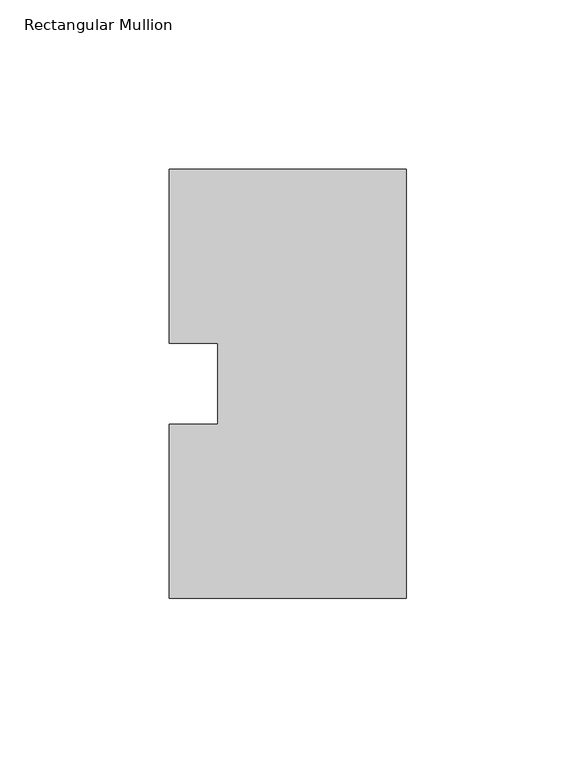
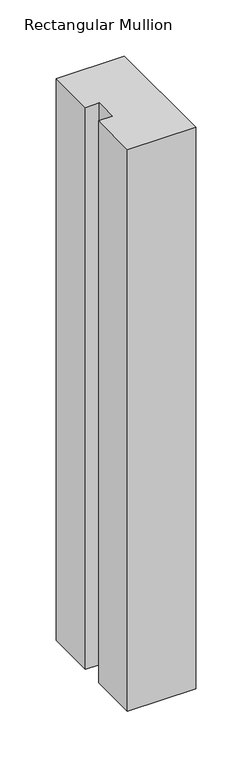
"""IFC4 building model written with IfcOpenShell, lengths in millimetres: member geometry, Rectangular Mullion."""

from ifc_helpers import new_model, si_unit, frame, origin, place, context, project, spatial, polyline, outline, extrude, source, transform, mapped, element, save


def rectangular_mullion_b223c6bb(model_context):
    return source(origin(), model_context, "Body", "SweptSolid", [
        extrude(outline(polyline([(-69.85, 0.26035), (-69.85, 51.60645), (-55.5625, 51.60645), (-55.5625, 75.40625), (-69.85, 75.40625), (-69.85, 126.75235), (0.0, 126.75235), (0.0, 0.26035), (-69.85, 0.26035)])), frame((0.0, 0.0, -609.6), z_axis=(0.0, 0.0, 1.0), x_axis=(1.0, 0.0, 0.0)), (0.0, 0.0, 1.0), 609.6),
    ])


if __name__ == "__main__":
    model = new_model("IFC4")
    model_context = context("Model", 3, world=origin())
    ifc_project = project(units=[si_unit("LENGTHUNIT", "METRE", prefix="MILLI")], contexts=[model_context])
    site = spatial("IfcSite", under=ifc_project)
    building = spatial("IfcBuilding", under=site)
    placement = place(None, origin())
    rectangular_mullion_shape = rectangular_mullion_b223c6bb(model_context)
    element("IfcMember", 1, ObjectType="Rectangular Mullion", at=placement, inside=building, context=model_context, shape_type="MappedRepresentation", body=[
        mapped(rectangular_mullion_shape, transform((0.0, 0.0, 0.0), x_axis=(1.0, 0.0, 0.0), y_axis=(0.0, 1.0, 0.0), z_axis=(0.0, 0.0, 1.0))),
    ])
    save(model, "model.ifc")
